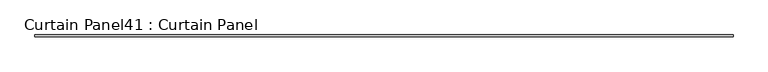
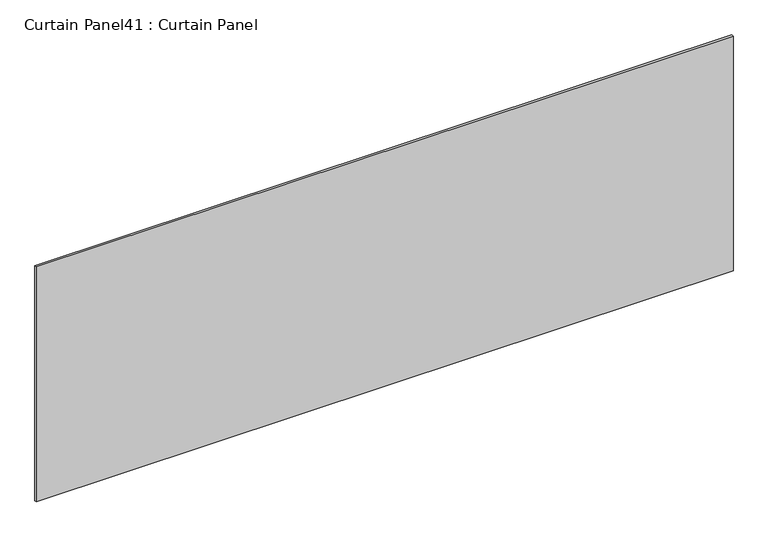
"""IFC4 building model written with IfcOpenShell, lengths in millimetres: plate geometry, Curtain Panel41 : Curtain Panel."""

from ifc_helpers import new_model, si_unit, frame, origin, place, context, project, spatial, polyline, outline, extrude, source, transform, mapped, element, save


def curtain_panel41_curtain_panel_45e950e1(model_context):
    return source(origin(), model_context, "Body", "SweptSolid", [
        extrude(outline(polyline([(-16503.9514736, 666.0938036), (-18777.2498086, 666.0938036), (-18777.2498086, 672.4438036), (-16503.9514736, 672.4438036), (-16503.9514736, 666.0938036)])), frame((0.0, 0.0, -613.4077272), z_axis=(0.0, 0.0, 1.0), x_axis=(1.0, 0.0, 0.0)), (0.0, 0.0, 1.0), 809.5626113),
    ])


if __name__ == "__main__":
    model = new_model("IFC4")
    model_context = context("Model", 3, world=origin())
    ifc_project = project(units=[si_unit("LENGTHUNIT", "METRE", prefix="MILLI")], contexts=[model_context])
    site = spatial("IfcSite", under=ifc_project)
    building = spatial("IfcBuilding", under=site)
    placement = place(None, origin())
    curtain_panel41_curtain_panel_shape = curtain_panel41_curtain_panel_45e950e1(model_context)
    element("IfcPlate", 1, ObjectType="Curtain Panel41 : Curtain Panel", at=placement, inside=building, context=model_context, shape_type="MappedRepresentation", body=[
        mapped(curtain_panel41_curtain_panel_shape, transform((0.0, 0.0, 0.0), x_axis=(1.0, 0.0, 0.0), y_axis=(0.0, 1.0, 0.0), z_axis=(0.0, 0.0, 1.0))),
    ])
    save(model, "model.ifc")
